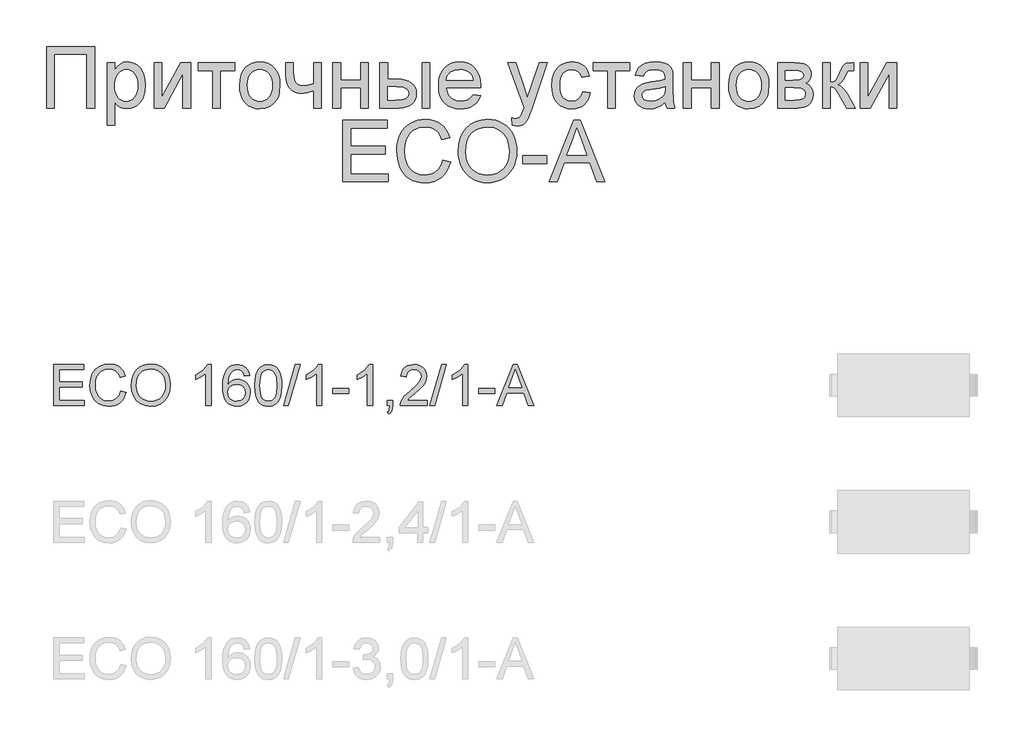
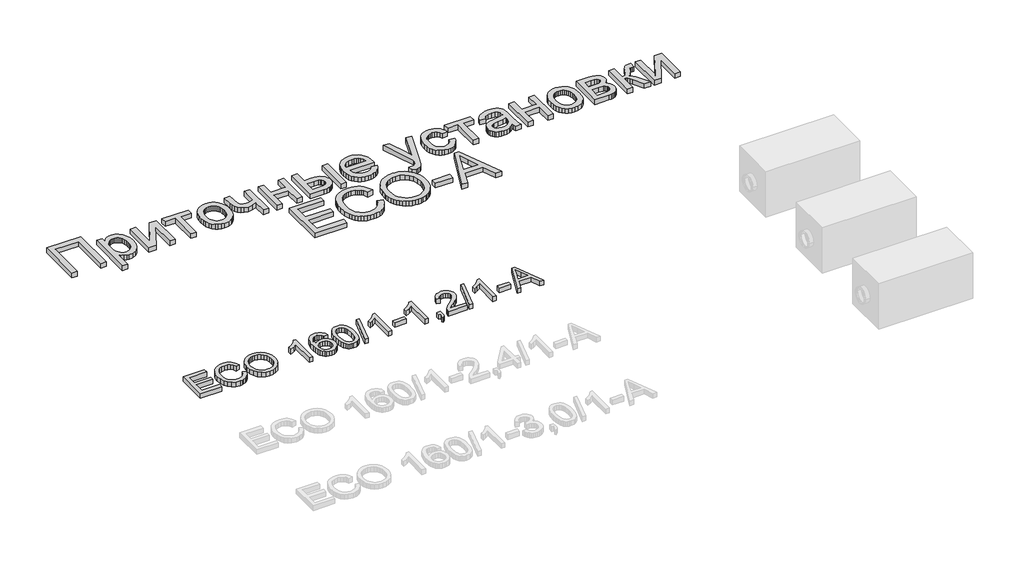
# One storey, part 36 of 74: 2 proxies.
"""IFC4 building model written with IfcOpenShell, lengths in millimetres."""

import ifcopenshell
import ifcopenshell.guid

model = None  # the IFC model being written
_history = None  # IfcOwnerHistory: only IFC2X3 demands one
_inside = {}  # id of a spatial element -> (the spatial element, [elements in it])
_under = {}  # id of a project, library or spatial element -> (it, [spatial elements below it])
_declared = {}  # id of a project -> (the project, [libraries it declares])
_typed = {}  # id of a type object -> (the type object, [elements of that type])
_made_of = {}  # id of a material, layer set ... -> (it, [elements and type objects made of it])


def new_model(schema):
    """Start an empty IFC model of exactly this schema.

    Asked for "IFC4X3", IfcOpenShell would pick the latest addendum, in which some entities
    have other attributes; the version numbers below select the first issue.
    IFC2X3 requires an IfcOwnerHistory on every rooted entity: one is made here for all.
    """
    global model, _history
    if schema == "IFC4X3":
        model = ifcopenshell.file(schema_version=(4, 3, 0, 0))
    else:
        model = ifcopenshell.file(schema=schema)
    _inside.clear()
    _under.clear()
    _declared.clear()
    _typed.clear()
    _made_of.clear()
    _history = None
    if model.schema == "IFC2X3":
        org = make("IfcOrganization", Name="unknown")
        user = make(
            "IfcPersonAndOrganization",
            ThePerson=make("IfcPerson", FamilyName="unknown"),
            TheOrganization=org,
        )
        app = make(
            "IfcApplication",
            ApplicationDeveloper=org,
            Version="unknown",
            ApplicationFullName="unknown",
            ApplicationIdentifier="unknown",
        )
        _history = make(
            "IfcOwnerHistory",
            OwningUser=user,
            OwningApplication=app,
            ChangeAction="ADDED",
            CreationDate=0,
        )
    return model


def make(cls, **values):
    """One entity of the class cls with the attributes given. An attribute that is None is left unset."""
    return model.create_entity(
        cls, **{name: value for name, value in values.items() if value is not None}
    )


def rooted(cls, **values):
    """An entity with a GlobalId (a new one), such as an element, a storey or a relation."""
    return make(cls, GlobalId=ifcopenshell.guid.new(), OwnerHistory=_history, **values)


def si_unit(unit_type, name, prefix=None):
    """IfcSIUnit, for example si_unit("LENGTHUNIT", "METRE", prefix="MILLI")."""
    return make("IfcSIUnit", UnitType=unit_type, Prefix=prefix, Name=name)


def assignment(units):
    """IfcUnitAssignment: the units of a project."""
    return None if units is None else make("IfcUnitAssignment", Units=units)


def point(xyz):
    """IfcCartesianPoint."""
    return None if xyz is None else make("IfcCartesianPoint", Coordinates=xyz)


def direction(xyz):
    """IfcDirection."""
    return None if xyz is None else make("IfcDirection", DirectionRatios=xyz)


def frame(location, z_axis=None, x_axis=None):
    """IfcAxis2Placement3D, a coordinate frame: its origin and axes. An axis left out is left unset."""
    return make(
        "IfcAxis2Placement3D",
        Location=point(location),
        Axis=direction(z_axis),
        RefDirection=direction(x_axis),
    )


def origin():
    """The frame at (0, 0, 0) with its axes left unset."""
    return frame((0.0, 0.0, 0.0))


def origin_with_axes():
    """The frame at (0, 0, 0) with the z axis (0, 0, 1) and the x axis (1, 0, 0) written out."""
    return frame((0.0, 0.0, 0.0), z_axis=(0.0, 0.0, 1.0), x_axis=(1.0, 0.0, 0.0))


def place(relative_to, where):
    """IfcLocalPlacement: puts the frame where relative to a parent placement (None: the world)."""
    return make(
        "IfcLocalPlacement", PlacementRelTo=relative_to, RelativePlacement=where
    )


def context(
    kind, dimensions, precision=None, world=None, true_north=None, identifier=None
):
    """IfcGeometricRepresentationContext, for example the 3D "Model" context."""
    return make(
        "IfcGeometricRepresentationContext",
        ContextIdentifier=identifier,
        ContextType=kind,
        CoordinateSpaceDimension=dimensions,
        Precision=precision,
        WorldCoordinateSystem=world,
        TrueNorth=true_north,
    )


def project(units=None, contexts=None):
    """IfcProject with its units and contexts."""
    return rooted(
        "IfcProject",
        Name="project",
        RepresentationContexts=contexts,
        UnitsInContext=assignment(units),
    )


def spatial(cls, under=None, at=None, **own):
    """A site, building, storey or space (cls), placed at a placement, below another one or the project."""
    s = rooted(cls, ObjectPlacement=at, **own)
    if under is not None:
        _under.setdefault(under.id(), (under, []))[1].append(s)
    return s


def polyline(points):
    """IfcPolyline through the points."""
    return make("IfcPolyline", Points=[point(p) for p in points])


def outline(outer, holes=None, kind="AREA"):
    """IfcArbitraryClosedProfileDef: a profile drawn as a closed curve; with holes, ...WithVoids."""
    if holes is None:
        return make("IfcArbitraryClosedProfileDef", ProfileType=kind, OuterCurve=outer)
    return make(
        "IfcArbitraryProfileDefWithVoids",
        ProfileType=kind,
        OuterCurve=outer,
        InnerCurves=holes,
    )


def extrude(swept, where, along, depth):
    """IfcExtrudedAreaSolid: the profile swept, set in the frame where, extruded along a direction by depth."""
    return make(
        "IfcExtrudedAreaSolid",
        SweptArea=swept,
        Position=where,
        ExtrudedDirection=direction(along),
        Depth=depth,
    )


def shape(context_of_items, identifier, shape_type, items):
    """IfcShapeRepresentation: the items that make up one representation, for example the "Body"."""
    return make(
        "IfcShapeRepresentation",
        ContextOfItems=context_of_items,
        RepresentationIdentifier=identifier,
        RepresentationType=shape_type,
        Items=items,
    )


def made_of(thing, what):
    """Note that an element or type object is made of a material, layer set ...; save() writes the relation."""
    if what is not None:
        _made_of.setdefault(what.id(), (what, []))[1].append(thing)
    return thing


def element(
    cls,
    number,
    at=None,
    inside=None,
    cuts=None,
    type_object=None,
    material=None,
    context=None,
    identifier="Body",
    shape_type=None,
    held_by="IfcProductDefinitionShape",
    body=None,
    shapes=None,
    **own,
):
    """One element of the class cls, such as IfcWall. Its Tag is "e" and its number.

    at: its placement. inside: the storey or other place that contains it. cuts: it is an
    opening in that element (IfcRelVoidsElement). A single representation is given by context,
    identifier, shape_type and body (its items); several are given by shapes. held_by: the class
    of the entity that holds the representations. save() writes the other relations.
    """
    e = rooted(cls, Tag="e%d" % number, ObjectPlacement=at, **own)
    if body is not None:
        shapes = [shape(context, identifier, shape_type, body)]
    if shapes is not None:
        e.Representation = make(held_by, Representations=shapes)
    if inside is not None:
        _inside.setdefault(inside.id(), (inside, []))[1].append(e)
    if cuts is not None:
        rooted(
            "IfcRelVoidsElement", RelatingBuildingElement=cuts, RelatedOpeningElement=e
        )
    if type_object is not None:
        _typed.setdefault(type_object.id(), (type_object, []))[1].append(e)
    return made_of(e, material)


def aggregate(whole, parts):
    """IfcRelAggregates: a whole, such as a stair, and the parts it consists of."""
    return rooted("IfcRelAggregates", RelatingObject=whole, RelatedObjects=parts)


def save(model, path):
    """Write the relations noted so far, then the file.

    IfcRelAggregates (storeys below a building ...), IfcRelContainedInSpatialStructure (elements
    in a storey), IfcRelDefinesByType, IfcRelAssociatesMaterial and IfcRelDeclares: one each for
    every whole, place, type object, material and project.
    """
    for whole, parts in _under.values():
        aggregate(whole, parts)
    for where, things in _inside.values():
        rooted(
            "IfcRelContainedInSpatialStructure",
            RelatedElements=things,
            RelatingStructure=where,
        )
    for kind, things in _typed.values():
        rooted("IfcRelDefinesByType", RelatedObjects=things, RelatingType=kind)
    for what, things in _made_of.values():
        rooted("IfcRelAssociatesMaterial", RelatedObjects=things, RelatingMaterial=what)
    for by, libraries in _declared.values():
        rooted("IfcRelDeclares", RelatingContext=by, RelatedDefinitions=libraries)
    model.write(path)


model = new_model("IFC4")

# Units and contexts
model_context = context("Model", 3, world=origin())
ifc_project = project(units=[si_unit("LENGTHUNIT", "METRE", prefix="MILLI")], contexts=[model_context])

# Site, building, storey
site = spatial("IfcSite", under=ifc_project)
building = spatial("IfcBuilding", under=site)
storey = spatial("IfcBuildingStorey", under=building, Elevation=0.0)

# Proxies
placement = place(None, origin())
element("IfcBuildingElementProxy", 1, Name="Generic Models", at=placement, inside=storey, context=model_context, shape_type="SweptSolid", body=[
    extrude(outline(polyline([(11711.9197938, -1277.4716513), (12063.2136554, -1277.4716513), (12063.2136554, -1727.1277941), (12007.0066376, -1727.1277941), (12007.0066376, -1333.6786691), (11768.1268117, -1333.6786691), (11768.1268117, -1727.1277941), (11711.9197938, -1727.1277941), (11711.9197938, -1277.4716513)])), origin_with_axes(), (0.0, 0.0, 1.0), 50.0),
    extrude(outline(polyline([(12154.5500594, -1853.5935843), (12154.5500594, -1396.9115642), (12210.7570773, -1396.9115642), (12210.7570773, -1452.0207887), (12229.0902257, -1424.8366817), (12249.6189607, -1405.4194624), (12273.550855, -1393.7691308), (12302.0934813, -1389.885687), (12340.1045749, -1395.3197639), (12373.3402676, -1411.6219947), (12400.4008729, -1437.8043653), (12419.8867043, -1472.8788618), (12431.6605376, -1514.2931147), (12435.5851487, -1559.4947545), (12431.1528082, -1607.5643794), (12417.8557866, -1650.5567102), (12396.1194789, -1686.2898827), (12366.36928, -1712.5820326), (12331.7201784, -1728.7607616), (12295.2871627, -1734.1536713), (12269.4478525, -1730.5446758), (12246.3804704, -1719.7176892), (12226.6339131, -1703.3742912), (12210.7570773, -1683.2160614), (12210.7570773, -1853.5935843), (12154.5500594, -1853.5935843)]), holes=[polyline([(12210.7570773, -1564.6543831), (12212.2768349, -1591.7424332), (12216.8361078, -1615.0430964), (12224.4348959, -1634.5563726), (12235.0731993, -1650.2822619), (12247.8796444, -1662.3854332), (12261.982858, -1671.0305556), (12277.3828398, -1676.217629), (12294.0795901, -1677.9466535), (12311.0164826, -1676.1558781), (12326.697774, -1670.7835521), (12341.1234643, -1661.8296753), (12354.2935535, -1649.2942479), (12365.2680561, -1632.9988783), (12373.1069865, -1612.7651752), (12377.8103448, -1588.5931386), (12379.3781308, -1560.4827685), (12377.8480814, -1533.6279995), (12373.2579331, -1510.3685036), (12365.6076859, -1490.7042808), (12354.8973399, -1474.6353311), (12342.0600193, -1462.1479321), (12328.0288484, -1453.2283614), (12312.8038273, -1447.876619), (12296.384956, -1446.0927048), (12280.0175438, -1447.9898289), (12264.6175619, -1453.6812011), (12250.1850104, -1463.1668215), (12236.7198892, -1476.4466901), (12225.361159, -1493.3424153), (12217.2477803, -1513.6756059), (12212.379753, -1537.4462619), (12210.7570773, -1564.6543831)])]), origin_with_axes(), (0.0, 0.0, 1.0), 50.0),
    extrude(outline(polyline([(12498.8180438, -1396.9115642), (12555.0250616, -1396.9115642), (12555.0250616, -1648.7453512), (12693.127461, -1396.9115642), (12765.8013786, -1396.9115642), (12765.8013786, -1727.1277941), (12709.5943607, -1727.1277941), (12709.5943607, -1476.8309177), (12572.370196, -1727.1277941), (12498.8180438, -1727.1277941), (12498.8180438, -1396.9115642)])), origin_with_axes(), (0.0, 0.0, 1.0), 50.0),
    extrude(outline(polyline([(12822.0083964, -1396.9115642), (13088.9917312, -1396.9115642), (13088.9917312, -1453.1185821), (12983.6035727, -1453.1185821), (12983.6035727, -1727.1277941), (12927.3965549, -1727.1277941), (12927.3965549, -1453.1185821), (12822.0083964, -1453.1185821), (12822.0083964, -1396.9115642)])), origin_with_axes(), (0.0, 0.0, 1.0), 50.0),
    extrude(outline(polyline([(13124.1211174, -1562.0196791), (13127.1606326, -1519.2537682), (13136.2791784, -1482.4022188), (13151.4767546, -1451.4650309), (13172.7533613, -1426.4422044), (13194.1740534, -1410.4487281), (13217.817777, -1399.0248163), (13243.6845321, -1392.1704693), (13271.7743186, -1389.885687), (13302.7835492, -1392.6679069), (13330.8218766, -1401.0145667), (13355.8893009, -1414.9256664), (13377.985822, -1434.401206), (13396.0205079, -1458.7825095), (13408.9024263, -1487.4109008), (13416.6315774, -1520.2863801), (13419.2079611, -1557.4089472), (13414.6521188, -1614.1923066), (13408.957316, -1637.4998309), (13400.984592, -1657.4179184), (13378.6033308, -1689.7890989), (13347.9062851, -1714.0091639), (13311.4458246, -1729.1175445), (13271.7743186, -1734.1536713), (13240.3122482, -1731.3817432), (13212.0131949, -1723.0659588), (13186.8771585, -1709.2063182), (13164.9041391, -1689.8028213), (13147.0615671, -1665.1848062), (13134.3168728, -1635.6816107), (13126.6700562, -1601.2932351), (13124.1211174, -1562.0196791)]), holes=[polyline([(13180.3281352, -1561.9098998), (13181.9542416, -1589.1729107), (13186.8325606, -1612.7788977), (13194.9630924, -1632.7278606), (13206.3458369, -1649.0197996), (13220.1917551, -1661.6752981), (13235.7118081, -1670.71494), (13252.9059959, -1676.1387251), (13271.7743186, -1677.9466535), (13290.5465843, -1676.1284333), (13307.6721601, -1670.6737727), (13323.1510458, -1661.5826718), (13336.9832416, -1648.8551306), (13348.3659861, -1632.4019532), (13356.4965178, -1612.1339441), (13361.3748369, -1588.0511032), (13363.0009433, -1560.1534305), (13361.3645451, -1533.7549318), (13356.4553506, -1510.7664536), (13348.2733598, -1491.1879959), (13336.8185726, -1475.0195587), (13322.9349178, -1462.3640602), (13307.4663238, -1453.3244183), (13290.4127907, -1447.9006332), (13271.7743186, -1446.0927048), (13252.9059959, -1447.893772), (13235.7118081, -1453.2969735), (13220.1917551, -1462.3023093), (13206.3458369, -1474.9097794), (13194.9630924, -1491.1536899), (13186.8325606, -1511.0683468), (13181.9542416, -1534.6537501), (13180.3281352, -1561.9098998)])]), origin_with_axes(), (0.0, 0.0, 1.0), 50.0),
    extrude(outline(polyline([(13461.3632245, -1396.9115642), (13517.5702423, -1396.9115642), (13517.5702423, -1460.2542386), (13522.1260846, -1519.6448571), (13529.8792499, -1536.907657), (13544.0270613, -1551.8102013), (13563.5677823, -1562.1020136), (13587.4996767, -1565.5326178), (13621.8880523, -1561.2786687), (13665.1136642, -1548.5168213), (13665.1136642, -1396.9115642), (13721.3206821, -1396.9115642), (13721.3206821, -1727.1277941), (13665.1136642, -1727.1277941), (13665.1136642, -1602.4184732), (13617.1400962, -1616.909345), (13572.4599082, -1621.7396356), (13538.4694826, -1616.7035088), (13508.7330061, -1601.5951282), (13485.5558447, -1579.1864221), (13471.2433643, -1552.2493186), (13463.8332595, -1521.5934402), (13461.3632245, -1488.0284096), (13461.3632245, -1396.9115642)])), origin_with_axes(), (0.0, 0.0, 1.0), 50.0),
    extrude(outline(polyline([(13805.6312088, -1396.9115642), (13861.8382267, -1396.9115642), (13861.8382267, -1523.3773544), (14009.3816486, -1523.3773544), (14009.3816486, -1396.9115642), (14065.5886664, -1396.9115642), (14065.5886664, -1727.1277941), (14009.3816486, -1727.1277941), (14009.3816486, -1579.5843722), (13861.8382267, -1579.5843722), (13861.8382267, -1727.1277941), (13805.6312088, -1727.1277941), (13805.6312088, -1396.9115642)])), origin_with_axes(), (0.0, 0.0, 1.0), 50.0),
    extrude(outline(polyline([(14149.8991932, -1396.9115642), (14206.106211, -1396.9115642), (14206.106211, -1516.3514771), (14275.596528, -1516.3514771), (14307.573189, -1518.1113771), (14335.6595449, -1523.3910768), (14359.8555957, -1532.1905763), (14380.1613415, -1544.5098757), (14396.2268606, -1559.92358), (14407.7022314, -1578.0062943), (14414.5874538, -1598.7580186), (14416.882528, -1622.1787529), (14414.9579591, -1643.0745626), (14409.1842523, -1662.3991556), (14399.5614078, -1680.1525319), (14386.0894254, -1696.3346915), (14368.3909388, -1709.8066739), (14346.0885814, -1719.4295184), (14319.1823533, -1725.2032252), (14287.6722545, -1727.1277941), (14149.8991932, -1727.1277941), (14149.8991932, -1396.9115642)]), holes=[polyline([(14206.106211, -1670.9207762), (14263.8501395, -1670.9207762), (14308.612662, -1667.9704567), (14338.3903058, -1659.1194981), (14355.104209, -1644.0111175), (14360.6755101, -1622.2885323), (14356.5450628, -1603.927939), (14344.1537207, -1587.7080428), (14333.3987768, -1581.0801156), (14317.6557345, -1576.3458819), (14271.2053548, -1572.558495), (14206.106211, -1572.558495), (14206.106211, -1670.9207762)])]), origin_with_axes(), (0.0, 0.0, 1.0), 50.0),
    extrude(outline(polyline([(14459.0377914, -1396.9115642), (14515.2448092, -1396.9115642), (14515.2448092, -1727.1277941), (14459.0377914, -1727.1277941), (14459.0377914, -1396.9115642)])), origin_with_axes(), (0.0, 0.0, 1.0), 50.0),
    extrude(outline(polyline([(14830.7506086, -1628.7655128), (14885.8598332, -1635.7913901), (14877.4102552, -1657.863897), (14866.0034966, -1677.3154223), (14851.6395571, -1694.1459661), (14834.3184369, -1708.3555284), (14814.2185274, -1719.6422159), (14791.51822, -1727.7041356), (14766.2175146, -1732.5412874), (14738.3164113, -1734.1536713), (14703.4408899, -1731.3714514), (14672.3664778, -1723.0247916), (14645.093175, -1709.1136919), (14621.6209817, -1689.6381523), (14602.7457978, -1665.1402083), (14589.2635236, -1636.1618953), (14581.1741591, -1602.7032134), (14578.4777043, -1564.7641624), (14581.201604, -1525.538635), (14589.373303, -1490.9650067), (14602.9928013, -1461.0432776), (14622.060099, -1435.7734476), (14645.4705415, -1415.6975524), (14672.1194743, -1401.3576271), (14702.0068973, -1392.753672), (14735.1328107, -1389.885687), (14767.1918062, -1392.7468108), (14796.1838416, -1401.3301823), (14822.1089169, -1415.6358015), (14844.9670321, -1435.6636683), (14863.6260879, -1460.8786086), (14876.9539849, -1490.745448), (14884.9507231, -1525.2641866), (14887.6163025, -1564.4348244), (14887.2869645, -1579.5843722), (14634.6847222, -1579.5843722), (14637.9403655, -1602.0136619), (14644.4139154, -1621.6573011), (14654.1053721, -1638.5152897), (14667.0147354, -1652.5876278), (14682.4284397, -1663.6822015), (14699.6329193, -1671.6068971), (14718.6281743, -1676.3617144), (14739.4142046, -1677.9466535), (14769.3290725, -1675.0100563), (14794.5234292, -1666.200265), (14814.9972745, -1650.9683827), (14830.7506086, -1628.7655128)]), holes=[polyline([(14634.6847222, -1523.3773544), (14831.4092846, -1523.3773544), (14823.8070659, -1493.6820451), (14808.9045216, -1472.4397444), (14793.5765824, -1460.9129146), (14776.1353911, -1452.6794647), (14756.5809476, -1447.7393948), (14734.913252, -1446.0927048), (14697.0256602, -1451.3483903), (14665.6973834, -1467.1154469), (14653.2408598, -1478.5153443), (14643.9199084, -1491.6922947), (14637.7345292, -1506.6462981), (14634.6847222, -1523.3773544)])]), origin_with_axes(), (0.0, 0.0, 1.0), 50.0),
    extrude(outline(polyline([(15119.4702511, -1853.5935843), (15112.4443739, -1799.4723737), (15140.9870002, -1804.4124436), (15155.9993238, -1802.8618106), (15167.6633778, -1798.2099114), (15184.0204982, -1780.9196666), (15199.3896046, -1739.5328586), (15203.7807779, -1725.9202214), (15084.340865, -1396.9115642), (15143.6217041, -1396.9115642), (15206.9643785, -1580.2430482), (15229.0300242, -1653.5756418), (15251.0956699, -1588.8058361), (15316.1948136, -1396.9115642), (15375.0365354, -1396.9115642), (15260.0975751, -1735.031906), (15230.2375969, -1808.3644996), (15214.9508249, -1831.7749421), (15197.6331353, -1847.9948383), (15177.5160728, -1857.4633057), (15153.831182, -1860.6194615), (15119.4702511, -1853.5935843)])), origin_with_axes(), (0.0, 0.0, 1.0), 50.0),
    extrude(outline(polyline([(15632.359289, -1607.6878812), (15688.5663069, -1614.7137584), (15682.4529703, -1641.2357588), (15672.8953073, -1664.7045216), (15659.8933177, -1685.1200467), (15643.4470015, -1702.4823341), (15624.2493409, -1716.3385441), (15602.9933178, -1726.235837), (15579.6789322, -1732.1742127), (15554.3061842, -1734.1536713), (15522.7823629, -1731.392035), (15494.5176156, -1723.1071261), (15469.5119422, -1709.2989445), (15447.7653427, -1689.9674903), (15430.162913, -1665.4764075), (15417.5897489, -1636.1893402), (15410.0458504, -1602.1062883), (15407.5312176, -1563.2272518), (15411.826334, -1513.2090438), (15424.711683, -1469.8599301), (15434.4271539, -1451.1048174), (15446.3931011, -1434.8540457), (15460.6095245, -1421.107615), (15477.0764243, -1409.8655254), (15513.7838883, -1394.8806466), (15553.5377288, -1389.885687), (15578.4747902, -1391.600989), (15601.0310122, -1396.7468952), (15621.206395, -1405.3234055), (15639.0009386, -1417.3305199), (15654.1127497, -1432.4937901), (15666.2399353, -1450.5387678), (15675.3824953, -1471.4654529), (15681.5404297, -1495.2738454), (15625.3334118, -1502.2997227), (15615.1376564, -1477.7777645), (15599.2608205, -1460.199349), (15578.5811389, -1449.6193659), (15553.9768462, -1446.0927048), (15534.878673, -1447.8285905), (15517.6536098, -1453.0362476), (15502.3016564, -1461.715676), (15488.8228128, -1473.8668758), (15477.8483102, -1489.7711564), (15470.0093798, -1509.7098276), (15465.3060216, -1533.6828891), (15463.7382355, -1561.6903412), (15465.2717155, -1590.1197575), (15469.8721556, -1614.370698), (15477.5395558, -1634.4431627), (15488.2739161, -1650.3371515), (15501.4851726, -1662.4163086), (15516.5832613, -1671.044278), (15533.5681823, -1676.2210596), (15552.4399355, -1677.9466535), (15581.5451809, -1673.6378147), (15605.4084631, -1660.7112984), (15622.7673199, -1638.8377665), (15632.359289, -1607.6878812)])), origin_with_axes(), (0.0, 0.0, 1.0), 50.0),
    extrude(outline(polyline([(15709.6439386, -1396.9115642), (15976.6272734, -1396.9115642), (15976.6272734, -1453.1185821), (15871.2391149, -1453.1185821), (15871.2391149, -1727.1277941), (15815.0320971, -1727.1277941), (15815.0320971, -1453.1185821), (15709.6439386, -1453.1185821), (15709.6439386, -1396.9115642)])), origin_with_axes(), (0.0, 0.0, 1.0), 50.0),
    extrude(outline(polyline([(16236.5847309, -1684.9725307), (16209.7299619, -1707.9987455), (16182.0792927, -1723.0659588), (16153.0014922, -1731.3817432), (16121.8653293, -1734.1536713), (16096.8390722, -1732.4863977), (16074.8934977, -1727.4845769), (16056.0286057, -1719.1482089), (16040.2443961, -1707.4772937), (16027.7810114, -1693.2128418), (16018.8785937, -1677.0958636), (16013.5371431, -1659.1263593), (16011.7566595, -1639.3043287), (16014.4462532, -1616.0036655), (16022.515034, -1594.8436993), (16034.9612658, -1576.7301096), (16050.783212, -1562.5685758), (16069.3770863, -1551.865091), (16090.1391024, -1544.1256481), (16138.7713464, -1535.6726395), (16196.2408265, -1526.7805137), (16236.2553929, -1516.3514771), (16236.5847309, -1503.8366333), (16232.7150095, -1478.752056), (16221.1058452, -1462.3400459), (16195.1430332, -1450.1545401), (16158.9707434, -1446.0927048), (16125.4880472, -1448.7960209), (16102.1050496, -1456.905969), (16086.1596016, -1471.9045702), (16074.9895546, -1495.2738454), (16018.7825368, -1488.2479682), (16028.5391749, -1457.5097553), (16043.0986587, -1433.3583023), (16063.8195076, -1414.8879298), (16092.0602407, -1401.1929581), (16126.599563, -1392.7125048), (16166.2161793, -1389.885687), (16204.2135505, -1392.3831668), (16234.3342546, -1399.8756062), (16257.0448539, -1411.1417101), (16272.8119104, -1424.9601835), (16283.2683918, -1442.044592), (16290.0472655, -1463.1085012), (16292.7917488, -1512.2896419), (16292.7917488, -1582.2190762), (16295.6460114, -1679.8677918), (16306.8435033, -1727.1277941), (16250.6364854, -1727.1277941), (16241.6345802, -1707.587073), (16236.5847309, -1684.9725307)]), holes=[polyline([(16236.5847309, -1572.558495), (16198.8206408, -1581.917183), (16145.9070029, -1589.7938501), (16097.5492073, -1598.9055346), (16084.9657514, -1605.1355117), (16075.6482306, -1613.7257444), (16069.8848157, -1624.0175567), (16067.9636774, -1635.3522728), (16072.1490144, -1652.066176), (16084.7050255, -1665.7611476), (16105.3572623, -1674.900277), (16133.8312764, -1677.9466535), (16164.0205927, -1674.5846614), (16190.6969703, -1664.4986853), (16212.3234986, -1649.6373083), (16227.3632671, -1631.9491135), (16234.0323615, -1613.7257444), (16236.2553929, -1588.4764981), (16236.5847309, -1572.558495)])]), origin_with_axes(), (0.0, 0.0, 1.0), 50.0),
    extrude(outline(polyline([(16370.0763983, -1396.9115642), (16426.2834162, -1396.9115642), (16426.2834162, -1523.3773544), (16573.8268381, -1523.3773544), (16573.8268381, -1396.9115642), (16630.0338559, -1396.9115642), (16630.0338559, -1727.1277941), (16573.8268381, -1727.1277941), (16573.8268381, -1579.5843722), (16426.2834162, -1579.5843722), (16426.2834162, -1727.1277941), (16370.0763983, -1727.1277941), (16370.0763983, -1396.9115642)])), origin_with_axes(), (0.0, 0.0, 1.0), 50.0),
    extrude(outline(polyline([(16700.2926282, -1562.0196791), (16703.3321435, -1519.2537682), (16712.4506892, -1482.4022188), (16727.6482655, -1451.4650309), (16748.9248722, -1426.4422044), (16770.3455643, -1410.4487281), (16793.9892879, -1399.0248163), (16819.8560429, -1392.1704693), (16847.9458294, -1389.885687), (16878.95506, -1392.6679069), (16906.9933875, -1401.0145667), (16932.0608118, -1414.9256664), (16954.1573329, -1434.401206), (16972.1920187, -1458.7825095), (16985.0739372, -1487.4109008), (16992.8030883, -1520.2863801), (16995.3794719, -1557.4089472), (16990.8236297, -1614.1923066), (16985.1288268, -1637.4998309), (16977.1561029, -1657.4179184), (16954.7748416, -1689.7890989), (16924.077796, -1714.0091639), (16887.6173354, -1729.1175445), (16847.9458294, -1734.1536713), (16816.4837591, -1731.3817432), (16788.1847057, -1723.0659588), (16763.0486693, -1709.2063182), (16741.07565, -1689.8028213), (16723.233078, -1665.1848062), (16710.4883837, -1635.6816107), (16702.8415671, -1601.2932351), (16700.2926282, -1562.0196791)]), holes=[polyline([(16756.4996461, -1561.9098998), (16758.1257524, -1589.1729107), (16763.0040715, -1612.7788977), (16771.1346032, -1632.7278606), (16782.5173477, -1649.0197996), (16796.3632659, -1661.6752981), (16811.8833189, -1670.71494), (16829.0775068, -1676.1387251), (16847.9458294, -1677.9466535), (16866.7180951, -1676.1284333), (16883.8436709, -1670.6737727), (16899.3225567, -1661.5826718), (16913.1547525, -1648.8551306), (16924.5374969, -1632.4019532), (16932.6680287, -1612.1339441), (16937.5463477, -1588.0511032), (16939.1724541, -1560.1534305), (16937.5360559, -1533.7549318), (16932.6268614, -1510.7664536), (16924.4448706, -1491.1879959), (16912.9900835, -1475.0195587), (16899.1064286, -1462.3640602), (16883.6378346, -1453.3244183), (16866.5843016, -1447.9006332), (16847.9458294, -1446.0927048), (16829.0775068, -1447.893772), (16811.8833189, -1453.2969735), (16796.3632659, -1462.3023093), (16782.5173477, -1474.9097794), (16771.1346032, -1491.1536899), (16763.0040715, -1511.0683468), (16758.1257524, -1534.6537501), (16756.4996461, -1561.9098998)])]), origin_with_axes(), (0.0, 0.0, 1.0), 50.0),
    extrude(outline(polyline([(17058.612367, -1396.9115642), (17182.4434532, -1396.9115642), (17222.2521834, -1398.7915353), (17250.3419699, -1404.4314484), (17271.0079291, -1415.0800436), (17288.5451774, -1431.9860607), (17300.5248469, -1454.0105391), (17304.5180701, -1480.0145183), (17302.1029248, -1500.9686483), (17294.8574889, -1519.0410708), (17282.7543176, -1534.3141203), (17265.765966, -1546.8701314), (17286.5691494, -1558.5479078), (17303.5300561, -1577.3338959), (17314.8098825, -1601.7460748), (17318.5698246, -1630.3024235), (17315.4479749, -1653.3080547), (17309.0464676, -1673.1438077), (17299.3653028, -1689.8096825), (17286.4044804, -1703.3056791), (17270.1434169, -1713.7278544), (17250.5615286, -1721.1722653), (17227.6588155, -1725.6389119), (17201.4352776, -1727.1277941), (17058.612367, -1727.1277941), (17058.612367, -1396.9115642)]), holes=[polyline([(17114.8193849, -1523.3773544), (17170.3677267, -1523.3773544), (17216.2005977, -1520.5230917), (17238.4858021, -1509.1060412), (17245.8547397, -1499.6650187), (17248.3110523, -1488.4675269), (17244.0022135, -1471.698734), (17231.0756972, -1460.9129146), (17207.7201444, -1455.0671652), (17172.1241961, -1453.1185821), (17114.8193849, -1453.1185821), (17114.8193849, -1523.3773544)]), polyline([(17114.8193849, -1670.9207762), (17183.7608052, -1670.9207762), (17221.3327815, -1668.3821292), (17244.907893, -1660.766188), (17257.559961, -1646.9202698), (17262.3628067, -1625.6916916), (17259.9613839, -1611.6262147), (17252.7571152, -1598.6310863), (17241.6968475, -1588.4627757), (17227.7274276, -1582.8777522), (17178.2718386, -1579.5843722), (17114.8193849, -1579.5843722), (17114.8193849, -1670.9207762)])]), origin_with_axes(), (0.0, 0.0, 1.0), 50.0),
    extrude(outline(polyline([(17388.8285969, -1396.9115642), (17445.0356148, -1396.9115642), (17445.0356148, -1537.4291088), (17467.8971606, -1534.9041842), (17482.6899256, -1527.3294103), (17495.7811109, -1507.5691306), (17513.5379178, -1468.4876885), (17527.8503981, -1436.5281805), (17539.1713917, -1417.7147476), (17549.7376524, -1407.4641025), (17561.7859341, -1401.1929581), (17602.8982938, -1396.9115642), (17613.6566683, -1396.9115642), (17613.6566683, -1453.4479201), (17598.5071205, -1453.1185821), (17580.9424275, -1454.600603), (17571.0622876, -1459.046666), (17551.7411252, -1496.0423008), (17539.871235, -1520.7014832), (17529.0716932, -1536.0568672), (17515.9942303, -1546.3075123), (17497.2905767, -1555.6524779), (17515.1022732, -1563.563451), (17532.7493008, -1577.5260098), (17550.2316594, -1597.5401542), (17567.549349, -1623.6058843), (17627.7084228, -1727.1277941), (17563.8168517, -1727.1277941), (17504.8653506, -1625.8014709), (17488.9473475, -1598.8369225), (17475.224931, -1582.9326418), (17461.3652904, -1575.1520317), (17445.0356148, -1572.558495), (17445.0356148, -1727.1277941), (17388.8285969, -1727.1277941), (17388.8285969, -1396.9115642)])), origin_with_axes(), (0.0, 0.0, 1.0), 50.0),
    extrude(outline(polyline([(17662.8378089, -1396.9115642), (17719.0448268, -1396.9115642), (17719.0448268, -1648.7453512), (17857.1472261, -1396.9115642), (17929.8211437, -1396.9115642), (17929.8211437, -1727.1277941), (17873.6141259, -1727.1277941), (17873.6141259, -1476.8309177), (17736.3899612, -1727.1277941), (17662.8378089, -1727.1277941), (17662.8378089, -1396.9115642)])), origin_with_axes(), (0.0, 0.0, 1.0), 50.0),
    extrude(outline(polyline([(13879.4029198, -2267.5598773), (13879.4029198, -1817.9037344), (14202.5932724, -1817.9037344), (14202.5932724, -1874.1107523), (13935.6099376, -1874.1107523), (13935.6099376, -2007.6024197), (14188.541518, -2007.6024197), (14188.541518, -2063.8094376), (13935.6099376, -2063.8094376), (13935.6099376, -2211.3528594), (14209.6191496, -2211.3528594), (14209.6191496, -2267.5598773), (13879.4029198, -2267.5598773)])), origin_with_axes(), (0.0, 0.0, 1.0), 50.0),
    extrude(outline(polyline([(14610.0941518, -2107.7211702), (14666.3011697, -2122.212042), (14655.1791512, -2157.1664674), (14640.3658026, -2187.7091358), (14621.861124, -2213.8400474), (14599.6651153, -2235.5592021), (14574.2786449, -2252.6333188), (14546.2025808, -2264.8291164), (14515.4369231, -2272.146595), (14481.9816717, -2274.5857545), (14447.706506, -2272.7400895), (14416.7864711, -2267.2030944), (14389.221567, -2257.9747694), (14365.0117937, -2245.0551143), (14343.8243827, -2228.636243), (14325.3265653, -2208.9102693), (14309.5183415, -2185.8771932), (14296.3997114, -2159.5370148), (14278.7389614, -2101.4911932), (14272.8520447, -2039.3286466), (14274.5158877, -2005.4274167), (14279.5074167, -1973.7629407), (14287.8266317, -1944.3352186), (14299.4735327, -1917.1442503), (14314.1873937, -1892.6394451), (14331.707489, -1871.2702121), (14352.0338184, -1853.0365512), (14375.1663819, -1837.9384625), (14400.3195713, -1826.0994477), (14426.7077782, -1817.6430085), (14454.3310025, -1812.569145), (14483.1892444, -1810.8778572), (14515.3374355, -1813.0665826), (14544.8166167, -1819.6327589), (14571.6267879, -1830.5763861), (14595.7679491, -1845.897464), (14616.8421501, -1865.1911816), (14634.4514411, -1888.0527274), (14648.5958219, -1914.4821015), (14659.2752925, -1944.4793039), (14603.0682746, -1957.8723824), (14583.5824432, -1916.8835244), (14571.1636563, -1901.2159554), (14556.9609553, -1888.7662931), (14540.8920056, -1879.2806727), (14522.8744728, -1872.5052296), (14480.9936577, -1867.0848751), (14455.7787175, -1868.5874797), (14432.7181966, -1873.0952935), (14411.8120951, -1880.6083165), (14393.060413, -1891.1265487), (14376.699862, -1904.1765668), (14362.9671537, -1919.2849473), (14351.8622882, -1936.4516903), (14343.3852654, -1955.6767958), (14332.6406133, -1996.8166004), (14329.0590626, -2039.2188672), (14333.2992893, -2091.1444912), (14346.0199693, -2136.0442378), (14355.6805505, -2155.4305817), (14367.7013874, -2172.2028052), (14382.0824798, -2186.3609084), (14398.8238279, -2197.9048913), (14436.1350783, -2213.2602753), (14476.3829258, -2218.3787366), (14500.8191189, -2216.6359898), (14523.2998677, -2211.4077491), (14543.8251721, -2202.6940146), (14562.3950322, -2190.4947864), (14578.5703306, -2174.864954), (14591.91195, -2155.8594072), (14602.4198904, -2133.478146), (14610.0941518, -2107.7211702)])), origin_with_axes(), (0.0, 0.0, 1.0), 50.0),
    extrude(outline(polyline([(14722.5081875, -2048.6598898), (14726.2544072, -1995.9177821), (14737.4930663, -1949.22726), (14756.2241648, -1908.5883237), (14782.4477027, -1874.000973), (14814.5924633, -1846.3846098), (14851.0872299, -1826.6586362), (14891.9320025, -1814.823052), (14937.1267811, -1810.8778572), (14967.3778482, -1812.7303834), (14996.1057271, -1818.2879621), (15023.3104177, -1827.5505932), (15048.9919202, -1840.5182768), (15072.4298075, -1856.7999239), (15092.9036528, -1876.0044458), (15110.4134563, -1898.1318423), (15124.9592177, -1923.1821136), (15136.3899906, -1950.5857793), (15144.5548284, -1979.7733591), (15149.4537311, -2010.7448531), (15151.0866987, -2043.5002612), (15149.367966, -2076.6879254), (15144.211768, -2108.0779531), (15135.6181047, -2137.6703442), (15123.5869761, -2165.4650987), (15108.4031222, -2190.7280675), (15090.3512834, -2212.7251011), (15069.4314595, -2231.4561995), (15045.6436505, -2246.9213629), (15019.9244115, -2259.0245342), (14993.2102972, -2267.6696566), (14965.5013078, -2272.85673), (14936.7974431, -2274.5857545), (14906.018063, -2272.674908), (14876.9128176, -2266.9423685), (14849.4817071, -2257.3881361), (14823.7247314, -2244.0122106), (14800.3142889, -2227.3326134), (14779.9227781, -2207.8673656), (14762.5501988, -2185.6164673), (14748.1965512, -2160.5799185), (14736.9578921, -2133.7628861), (14728.9302785, -2106.1705372), (14724.1137103, -2077.8028717), (14722.5081875, -2048.6598898)]), holes=[polyline([(14778.7152054, -2049.2087864), (14781.5248702, -2086.4720083), (14789.9538645, -2119.5498932), (14804.0021883, -2148.4424411), (14823.6698418, -2173.149652), (14847.5777218, -2192.9373765), (14874.3467258, -2207.0714655), (14903.9768535, -2215.5519189), (14936.4681051, -2218.3787366), (14969.5151146, -2215.524474), (14999.495164, -2206.9616861), (15026.4082533, -2192.690373), (15050.2543825, -2172.7105346), (15069.7779505, -2147.481872), (15083.7233562, -2117.4640859), (15092.0905997, -2082.6571766), (15094.8796808, -2043.0611439), (15090.1042799, -1993.3036617), (15075.7780771, -1950.2976085), (15052.2715777, -1915.1270551), (15019.9552869, -1888.8760724), (14980.9699017, -1872.5326744), (14937.4561191, -1867.0848751), (14906.0935363, -1869.7092872), (14876.9951521, -1877.5825237), (14850.1609667, -1890.7045844), (14825.5909801, -1909.0754695), (14805.0828286, -1933.5802747), (14790.4341491, -1965.1040959), (14781.6449413, -2003.6469332), (14778.7152054, -2049.2087864)])]), origin_with_axes(), (0.0, 0.0, 1.0), 50.0),
    extrude(outline(polyline([(15193.2419621, -2134.0682099), (15193.2419621, -2077.861192), (15368.8888928, -2077.861192), (15368.8888928, -2134.0682099), (15193.2419621, -2134.0682099)])), origin_with_axes(), (0.0, 0.0, 1.0), 50.0),
    extrude(outline(polyline([(15386.7829239, -2267.5598773), (15566.2721313, -1817.9037344), (15614.13592, -1817.9037344), (15793.6251274, -2267.5598773), (15734.2345089, -2267.5598773), (15682.7480023, -2127.0423326), (15497.5502697, -2127.0423326), (15446.1735424, -2267.5598773), (15386.7829239, -2267.5598773)]), holes=[polyline([(15518.188784, -2070.8353148), (15662.2192673, -2070.8353148), (15621.7106939, -1960.2875277), (15590.2040256, -1874.1107523), (15562.210296, -1950.6269465), (15518.188784, -2070.8353148)])]), origin_with_axes(), (0.0, 0.0, 1.0), 50.0),
])
element("IfcBuildingElementProxy", 2, Name="Generic Models", at=placement, inside=storey, context=model_context, shape_type="SweptSolid", body=[
    extrude(outline(polyline([(11765.719536, -3906.2904473), (11765.719536, -3604.9215169), (11982.3284547, -3604.9215169), (11982.3284547, -3642.5926332), (11803.3906523, -3642.5926332), (11803.3906523, -3732.0615344), (11972.9106757, -3732.0615344), (11972.9106757, -3769.7326507), (11803.3906523, -3769.7326507), (11803.3906523, -3868.619331), (11987.0373443, -3868.619331), (11987.0373443, -3906.2904473), (11765.719536, -3906.2904473)])), origin_with_axes(), (0.0, 0.0, 1.0), 50.0),
    extrude(outline(polyline([(12255.444048, -3799.1632103), (12293.1151643, -3808.875295), (12285.6609553, -3832.3024803), (12275.73274, -3852.7728141), (12263.3305182, -3870.2862963), (12248.4542901, -3884.842927), (12231.4397478, -3896.2863563), (12212.6225837, -3904.4602344), (12192.0027979, -3909.3645613), (12169.5803903, -3910.9993369), (12125.8852063, -3906.051324), (12091.1847371, -3891.2072855), (12064.5868689, -3866.9822562), (12045.1994877, -3833.8912707), (12033.3628845, -3794.9877497), (12029.4173501, -3753.3251137), (12033.8779193, -3709.3816094), (12047.2596269, -3671.4345816), (12068.8634971, -3640.6888439), (12097.990554, -3618.3492097), (12132.5346734, -3604.7467729), (12170.3897307, -3600.2126274), (12211.6936817, -3606.0803452), (12229.6624179, -3613.4149925), (12245.8423279, -3623.6834986), (12259.9666972, -3636.6145508), (12271.7688115, -3651.9368359), (12288.4062747, -3689.755105), (12250.7351584, -3698.7314257), (12237.6753476, -3671.2598377), (12219.8330708, -3652.4150825), (12196.9875989, -3641.5165784), (12168.9182027, -3637.8837437), (12136.5629812, -3641.9120515), (12109.9835071, -3653.996975), (12089.8143767, -3672.8693214), (12076.6901865, -3697.2598977), (12069.4888964, -3724.8326532), (12067.0884664, -3753.2515373), (12069.9303548, -3788.0531741), (12078.4560201, -3818.1459213), (12092.9873589, -3842.3801477), (12113.846268, -3859.6062222), (12138.8530466, -3869.897721), (12165.8279939, -3873.3282206), (12197.2727075, -3868.6561192), (12223.4751026, -3854.6398152), (12243.2579569, -3831.4264613), (12255.444048, -3799.1632103)])), origin_with_axes(), (0.0, 0.0, 1.0), 50.0),
    extrude(outline(polyline([(12330.7862806, -3759.5791077), (12333.2970752, -3724.2302465), (12340.829459, -3692.9372842), (12353.3834321, -3665.700221), (12370.9589944, -3642.5190568), (12392.5030838, -3624.0099939), (12416.9626379, -3610.7892347), (12444.3376569, -3602.8567792), (12474.6281407, -3600.2126274), (12514.1570611, -3605.1790343), (12549.6024913, -3620.0782551), (12579.0330509, -3643.8618261), (12600.5173594, -3675.4812836), (12613.6507467, -3713.4099173), (12618.0285424, -3756.1210169), (12613.4208204, -3799.4023336), (12599.5976544, -3837.8643962), (12577.3223996, -3869.539036), (12547.3584111, -3892.4580843), (12512.2164835, -3906.3640237), (12474.4074115, -3910.9993369), (12434.2714858, -3905.8765801), (12398.6237205, -3890.5083097), (12369.2667373, -3866.2832804), (12348.0031579, -3834.5902465), (12335.0904999, -3798.1239437), (12330.7862806, -3759.5791077)]), holes=[polyline([(12368.4573969, -3759.9469897), (12370.3404928, -3784.9215786), (12375.9897807, -3807.0910673), (12385.4052605, -3826.4554559), (12398.5869323, -3843.0147442), (12414.6104924, -3856.2768901), (12432.5516375, -3865.7498515), (12452.4103674, -3871.4336283), (12474.1866823, -3873.3282206), (12496.3354777, -3871.4152342), (12516.4287324, -3865.6762751), (12534.4664465, -3856.1113432), (12550.4486199, -3842.7204386), (12563.5337226, -3825.8116624), (12572.8802245, -3805.6931158), (12578.4881257, -3782.3647987), (12580.3574261, -3755.8267113), (12577.1568527, -3722.4782085), (12567.5551327, -3693.6546541), (12551.8005862, -3670.0826153), (12530.1415338, -3652.4886589), (12504.0127151, -3641.5349725), (12474.8488699, -3637.8837437), (12453.8290124, -3639.6426794), (12434.3266681, -3644.9194868), (12416.3418371, -3653.7141658), (12399.8745193, -3666.0267163), (12386.1295282, -3682.4503481), (12376.3116775, -3703.5782709), (12370.420967, -3729.4104848), (12368.4573969, -3759.9469897)])]), origin_with_axes(), (0.0, 0.0, 1.0), 50.0),
    extrude(outline(polyline([(12914.6885833, -3906.2904473), (12877.017467, -3906.2904473), (12877.017467, -3671.4345816), (12841.3329135, -3696.8552275), (12801.6752344, -3715.8747266), (12801.6752344, -3680.2637495), (12831.2621439, -3664.1689122), (12856.8943219, -3645.0206544), (12877.1002405, -3624.6583859), (12890.4083716, -3604.9215169), (12914.6885833, -3604.9215169), (12914.6885833, -3906.2904473)])), origin_with_axes(), (0.0, 0.0, 1.0), 50.0),
    extrude(outline(polyline([(13197.2219556, -3684.972639), (13159.5508393, -3689.6815286), (13153.4807864, -3671.0115173), (13145.2770179, -3658.2644062), (13128.1888992, -3646.5105764), (13107.5323252, -3642.5926332), (13090.0211422, -3644.8735016), (13073.5400288, -3651.7161067), (13059.3857691, -3666.1278838), (13047.8250774, -3685.9659204), (13040.016782, -3714.0261196), (13037.1197113, -3753.1043845), (13052.2304643, -3735.4736399), (13070.3394555, -3723.0484255), (13090.4350095, -3715.6815886), (13111.5054507, -3713.2259763), (13129.6052449, -3714.9044379), (13146.3070875, -3719.9398227), (13161.6109785, -3728.3321307), (13175.5169179, -3740.0813619), (13187.0730111, -3754.4885406), (13195.3273633, -3770.8546908), (13200.2799747, -3789.1798127), (13201.9308451, -3809.4639062), (13198.8222423, -3836.4388535), (13189.4964337, -3861.4456321), (13174.7259716, -3882.6540292), (13155.2834082, -3898.2338316), (13132.0516602, -3907.8079606), (13105.9136444, -3910.9993369), (13083.4567479, -3908.8840154), (13063.1749536, -3902.538051), (13045.0682617, -3891.9614436), (13029.136672, -3877.1541933), (13016.1481383, -3857.4909007), (13006.8706143, -3832.3461663), (13001.3040998, -3801.7199902), (12999.448595, -3765.6123724), (13001.5087342, -3725.1315573), (13007.6891517, -3690.5828395), (13017.9898476, -3661.9662188), (13032.4108218, -3639.2816952), (13048.041208, -3624.2491172), (13066.1639948, -3613.5115615), (13086.7791821, -3607.069028), (13109.88677, -3604.9215169), (13142.9409672, -3610.2374117), (13169.4100768, -3626.1850962), (13187.9513293, -3651.5137716), (13197.2219556, -3684.972639)]), holes=[polyline([(13037.1197113, -3808.875295), (13039.2994121, -3825.5679405), (13045.8385146, -3841.506428), (13055.9920577, -3855.2100323), (13069.0150803, -3865.1980285), (13084.7328385, -3871.2956725), (13102.9705884, -3873.3282206), (13127.8302143, -3869.1159717), (13147.3739453, -3856.4792252), (13160.0382829, -3836.6135975), (13164.2597288, -3810.714705), (13160.0934652, -3785.8550792), (13147.5946745, -3766.8999594), (13127.7198497, -3754.8978093), (13101.4254841, -3750.8970926), (13076.6026464, -3754.8978093), (13055.8449049, -3766.8999594), (13041.8010097, -3785.3952267), (13037.1197113, -3808.875295)])]), origin_with_axes(), (0.0, 0.0, 1.0), 50.0),
    extrude(outline(polyline([(13234.8930719, -3758.0340033), (13237.6613839, -3709.7954767), (13245.96632, -3671.324217), (13259.7251066, -3642.0316132), (13278.8549703, -3621.3290539), (13303.493867, -3609.0234011), (13333.7797522, -3604.9215169), (13356.9931061, -3607.3495381), (13377.7784388, -3614.6336016), (13395.1608631, -3626.4885989), (13408.1654916, -3642.6294214), (13417.9879409, -3662.9181134), (13425.8238274, -3687.2167192), (13430.9557812, -3718.0728216), (13432.6664325, -3758.0340033), (13429.9257117, -3805.9966184), (13421.7035491, -3844.3759076), (13408.0275359, -3873.6961026), (13388.9252633, -3894.4814353), (13364.2311844, -3906.8698615), (13333.7797522, -3910.9993369), (13313.0312077, -3909.2059122), (13294.6371079, -3903.825638), (13278.5974529, -3894.8585143), (13264.9122427, -3882.3045413), (13251.7788555, -3859.6108207), (13242.3978646, -3831.3344908), (13236.7692701, -3797.4755517), (13234.8930719, -3758.0340033)]), holes=[polyline([(13272.5641882, -3757.9604269), (13276.9787722, -3817.2170193), (13282.4970021, -3837.4850179), (13290.222524, -3851.5128183), (13309.9409989, -3867.87437), (13333.7797522, -3873.3282206), (13357.6185055, -3867.8559759), (13377.3369805, -3851.4392419), (13385.0625023, -3837.3884489), (13390.5807323, -3817.1250488), (13394.9953162, -3757.9604269), (13390.7278851, -3700.0374067), (13385.3935961, -3679.8360867), (13377.9255916, -3665.4748933), (13358.2439049, -3648.3131982), (13333.3382938, -3642.5926332), (13309.7570579, -3647.6326165), (13290.8111352, -3662.7525665), (13282.8280959, -3678.3875513), (13277.125925, -3699.4671897), (13272.5641882, -3757.9604269)])]), origin_with_axes(), (0.0, 0.0, 1.0), 50.0),
    extrude(outline(polyline([(13446.7931011, -3906.2904473), (13531.5531128, -3604.9215169), (13565.5454092, -3604.9215169), (13480.7853975, -3906.2904473), (13446.7931011, -3906.2904473)])), origin_with_axes(), (0.0, 0.0, 1.0), 50.0),
    extrude(outline(polyline([(13724.6175839, -3906.2904473), (13686.9464676, -3906.2904473), (13686.9464676, -3671.4345816), (13651.2619141, -3696.8552275), (13611.604235, -3715.8747266), (13611.604235, -3680.2637495), (13641.1911444, -3664.1689122), (13666.8233225, -3645.0206544), (13687.029241, -3624.6583859), (13700.3373722, -3604.9215169), (13724.6175839, -3604.9215169), (13724.6175839, -3906.2904473)])), origin_with_axes(), (0.0, 0.0, 1.0), 50.0),
    extrude(outline(polyline([(13804.668706, -3816.8215461), (13804.668706, -3779.1504298), (13922.3909445, -3779.1504298), (13922.3909445, -3816.8215461), (13804.668706, -3816.8215461)])), origin_with_axes(), (0.0, 0.0, 1.0), 50.0),
    extrude(outline(polyline([(14096.6198574, -3906.2904473), (14058.9487411, -3906.2904473), (14058.9487411, -3671.4345816), (14023.2641876, -3696.8552275), (13983.6065085, -3715.8747266), (13983.6065085, -3680.2637495), (14013.193418, -3664.1689122), (14038.825596, -3645.0206544), (14059.0315146, -3624.6583859), (14072.3396457, -3604.9215169), (14096.6198574, -3604.9215169), (14096.6198574, -3906.2904473)])), origin_with_axes(), (0.0, 0.0, 1.0), 50.0),
    extrude(outline(polyline([(14204.9243168, -3906.2904473), (14204.9243168, -3868.619331), (14242.5954331, -3868.619331), (14242.5954331, -3906.2904473), (14240.9031759, -3927.8391352), (14235.8264044, -3944.8076922), (14227.0708129, -3957.8215178), (14214.3420959, -3967.5060113), (14204.9243168, -3953.3793427), (14213.0912971, -3946.5551317), (14218.7566798, -3937.1189585), (14223.6862986, -3906.2904473), (14204.9243168, -3906.2904473)])), origin_with_axes(), (0.0, 0.0, 1.0), 50.0),
    extrude(outline(polyline([(14496.8754682, -3868.619331), (14496.8754682, -3906.2904473), (14299.1021076, -3906.2904473), (14303.1488095, -3880.3179785), (14312.4378299, -3860.0200894), (14326.0310696, -3840.3292056), (14345.6943623, -3819.7186168), (14373.1935414, -3796.6616128), (14413.8445019, -3760.553995), (14438.2350781, -3733.9009444), (14450.4303663, -3712.2694831), (14454.4954623, -3691.226633), (14450.6602925, -3672.3634837), (14439.1547831, -3656.6825136), (14421.4688562, -3646.1151033), (14399.0924339, -3642.5926332), (14375.5939714, -3646.0323299), (14357.3378274, -3656.3514198), (14345.5564065, -3672.7405627), (14341.4821134, -3694.3904181), (14303.8109971, -3689.6815286), (14312.9436676, -3653.242817), (14321.4900262, -3638.7068796), (14332.6897337, -3626.6265546), (14346.2852727, -3617.1306006), (14362.0191258, -3610.3477763), (14399.9017742, -3604.9215169), (14420.091598, -3606.4298331), (14438.0603342, -3610.9547816), (14453.8079828, -3618.4963625), (14467.334544, -3629.0545758), (14478.1985591, -3641.8476722), (14485.95857, -3656.0939024), (14490.6145765, -3671.7932666), (14492.1665786, -3688.9457646), (14490.4927156, -3706.9627853), (14485.4711263, -3724.6671063), (14476.559185, -3742.67493), (14463.2142656, -3761.6024586), (14441.9414892, -3784.1996102), (14409.2459769, -3813.2163026), (14365.9094779, -3849.4526791), (14348.9133297, -3868.619331), (14496.8754682, -3868.619331)])), origin_with_axes(), (0.0, 0.0, 1.0), 50.0),
    extrude(outline(polyline([(14515.7110263, -3906.2904473), (14600.471038, -3604.9215169), (14634.4633344, -3604.9215169), (14549.7033227, -3906.2904473), (14515.7110263, -3906.2904473)])), origin_with_axes(), (0.0, 0.0, 1.0), 50.0),
    extrude(outline(polyline([(14793.5355091, -3906.2904473), (14755.8643928, -3906.2904473), (14755.8643928, -3671.4345816), (14720.1798392, -3696.8552275), (14680.5221602, -3715.8747266), (14680.5221602, -3680.2637495), (14710.1090696, -3664.1689122), (14735.7412476, -3645.0206544), (14755.9471662, -3624.6583859), (14769.2552974, -3604.9215169), (14793.5355091, -3604.9215169), (14793.5355091, -3906.2904473)])), origin_with_axes(), (0.0, 0.0, 1.0), 50.0),
    extrude(outline(polyline([(14873.5866312, -3816.8215461), (14873.5866312, -3779.1504298), (14991.3088697, -3779.1504298), (14991.3088697, -3816.8215461), (14873.5866312, -3816.8215461)])), origin_with_axes(), (0.0, 0.0, 1.0), 50.0),
    extrude(outline(polyline([(15003.3018227, -3906.2904473), (15123.5992352, -3604.9215169), (15155.6785451, -3604.9215169), (15275.9759576, -3906.2904473), (15236.1711257, -3906.2904473), (15201.6637945, -3812.1126566), (15077.5404094, -3812.1126566), (15043.1066546, -3906.2904473), (15003.3018227, -3906.2904473)]), holes=[polyline([(15091.3727724, -3774.4415403), (15187.9050079, -3774.4415403), (15160.7553167, -3700.3501064), (15139.6388901, -3642.5926332), (15120.8769084, -3693.8753833), (15091.3727724, -3774.4415403)])]), origin_with_axes(), (0.0, 0.0, 1.0), 50.0),
])

save(model, "model.ifc")
